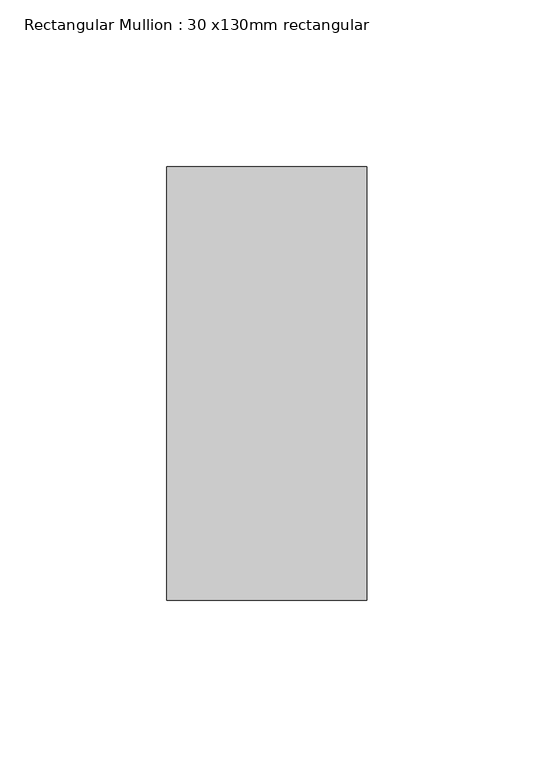
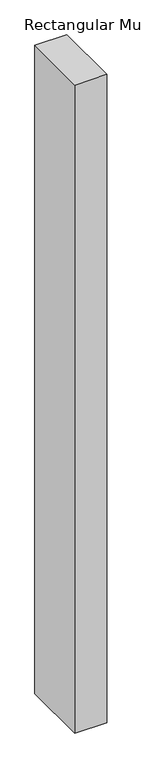
"""IFC4 building model written with IfcOpenShell, lengths in millimetres: member geometry, Rectangular Mullion : 30 x130mm rectangular."""

from ifc_helpers import new_model, si_unit, frame, origin, place, context, project, spatial, polyline, outline, extrude, source, transform, mapped, element, save


def rectangular_mullion_30_x130mm_rectangular_648c78ca(model_context):
    return source(origin(), model_context, "Body", "SweptSolid", [
        extrude(outline(polyline([(30.0, 65.0), (30.0, -65.0), (-30.0, -65.0), (-30.0, 65.0), (30.0, 65.0)])), frame((0.0, 0.0, -1290.6666667), z_axis=(0.0, 0.0, 1.0), x_axis=(1.0, 0.0, 0.0)), (0.0, 0.0, 1.0), 1290.6666667),
    ])


if __name__ == "__main__":
    model = new_model("IFC4")
    model_context = context("Model", 3, world=origin())
    ifc_project = project(units=[si_unit("LENGTHUNIT", "METRE", prefix="MILLI")], contexts=[model_context])
    site = spatial("IfcSite", under=ifc_project)
    building = spatial("IfcBuilding", under=site)
    placement = place(None, origin())
    rectangular_mullion_30_x130mm_rectangular_shape = rectangular_mullion_30_x130mm_rectangular_648c78ca(model_context)
    element("IfcMember", 1, ObjectType="Rectangular Mullion : 30 x130mm rectangular", at=placement, inside=building, context=model_context, shape_type="MappedRepresentation", body=[
        mapped(rectangular_mullion_30_x130mm_rectangular_shape, transform((0.0, 0.0, 0.0), x_axis=(1.0, 0.0, 0.0), y_axis=(0.0, 1.0, 0.0), z_axis=(0.0, 0.0, 1.0))),
    ])
    save(model, "model.ifc")
